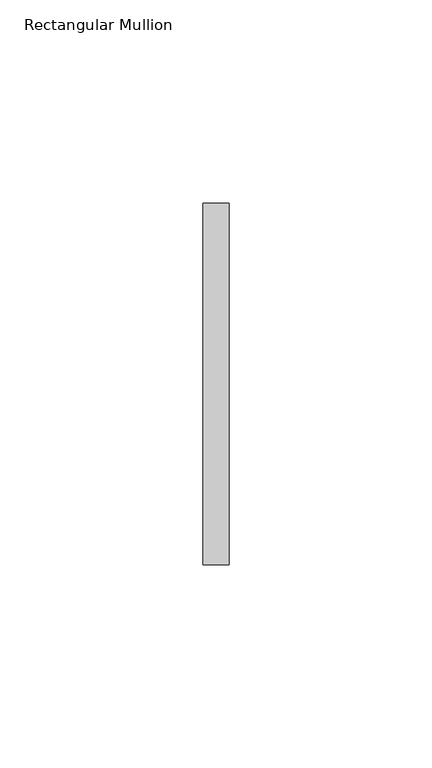
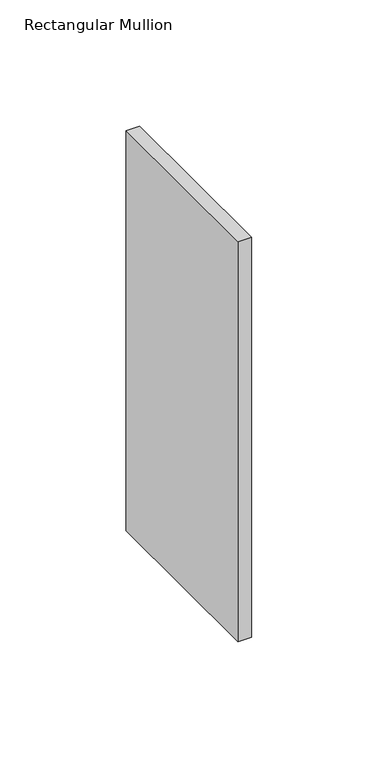
"""IFC4 building model written with IfcOpenShell, lengths in millimetres: member geometry, Rectangular Mullion."""

from ifc_helpers import new_model, si_unit, frame, origin, place, context, project, spatial, polyline, outline, extrude, source, transform, mapped, element, save


def rectangular_mullion_f02a998c(model_context):
    return source(origin(), model_context, "Body", "SweptSolid", [
        extrude(outline(polyline([(0.0, 44.45), (0.0, -44.45), (-6.35, -44.45), (-6.35, 44.45), (0.0, 44.45)])), frame((0.0, 0.0, -193.6750003), z_axis=(0.0, 0.0, 1.0), x_axis=(1.0, 0.0, 0.0)), (0.0, 0.0, 1.0), 193.6750003),
    ])


if __name__ == "__main__":
    model = new_model("IFC4")
    model_context = context("Model", 3, world=origin())
    ifc_project = project(units=[si_unit("LENGTHUNIT", "METRE", prefix="MILLI")], contexts=[model_context])
    site = spatial("IfcSite", under=ifc_project)
    building = spatial("IfcBuilding", under=site)
    placement = place(None, origin())
    rectangular_mullion_shape = rectangular_mullion_f02a998c(model_context)
    element("IfcMember", 1, ObjectType="Rectangular Mullion", at=placement, inside=building, context=model_context, shape_type="MappedRepresentation", body=[
        mapped(rectangular_mullion_shape, transform((0.0, 0.0, 0.0), x_axis=(1.0, 0.0, 0.0), y_axis=(0.0, 1.0, 0.0), z_axis=(0.0, 0.0, 1.0))),
    ])
    save(model, "model.ifc")
